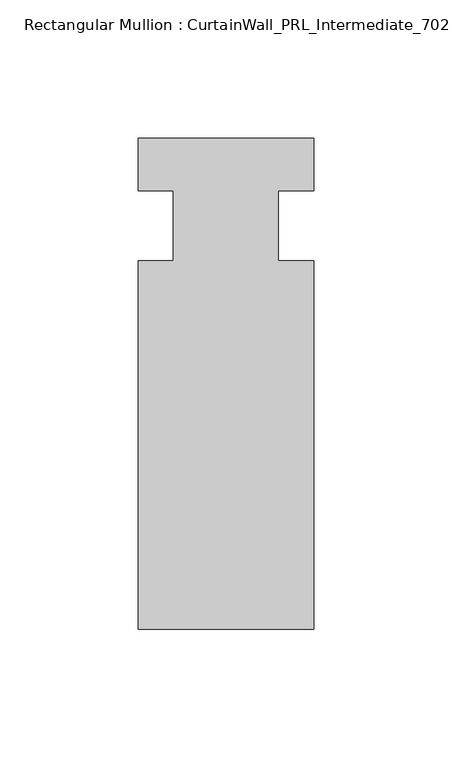
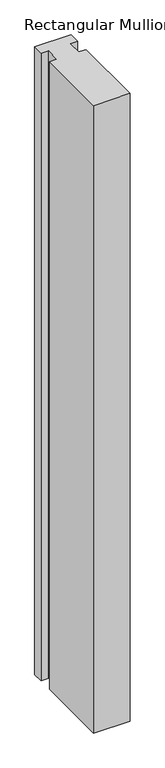
"""IFC4 building model written with IfcOpenShell, lengths in millimetres: member geometry, Rectangular Mullion : CurtainWall_PRL_Intermediate_702."""

from ifc_helpers import new_model, si_unit, frame, origin, place, context, project, spatial, polyline, outline, extrude, source, transform, mapped, element, save


def rectangular_mullion_curtainwall_prl_intermediate_702_8ce8d3a9(model_context):
    return source(origin(), model_context, "Body", "SweptSolid", [
        extrude(outline(polyline([(-19.05, -12.7), (-19.05, 12.7), (-31.75, 12.7), (-31.75, 31.75), (31.75, 31.75), (31.75, 12.7), (19.05, 12.7), (19.05, -12.7), (31.75, -12.7), (31.75, -146.05), (-31.75, -146.05), (-31.75, -12.7), (-19.05, -12.7)])), frame((0.0, 0.0, -1155.7), z_axis=(0.0, 0.0, 1.0), x_axis=(1.0, 0.0, 0.0)), (0.0, 0.0, 1.0), 1155.7),
    ])


if __name__ == "__main__":
    model = new_model("IFC4")
    model_context = context("Model", 3, world=origin())
    ifc_project = project(units=[si_unit("LENGTHUNIT", "METRE", prefix="MILLI")], contexts=[model_context])
    site = spatial("IfcSite", under=ifc_project)
    building = spatial("IfcBuilding", under=site)
    placement = place(None, origin())
    rectangular_mullion_curtainwall_prl_intermediate_702_shape = rectangular_mullion_curtainwall_prl_intermediate_702_8ce8d3a9(model_context)
    element("IfcMember", 1, ObjectType="Rectangular Mullion : CurtainWall_PRL_Intermediate_702", at=placement, inside=building, context=model_context, shape_type="MappedRepresentation", body=[
        mapped(rectangular_mullion_curtainwall_prl_intermediate_702_shape, transform((0.0, 0.0, 0.0), x_axis=(1.0, 0.0, 0.0), y_axis=(0.0, 1.0, 0.0), z_axis=(0.0, 0.0, 1.0))),
    ])
    save(model, "model.ifc")
